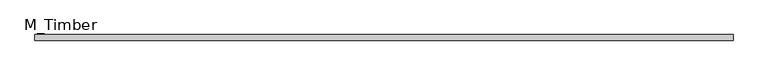
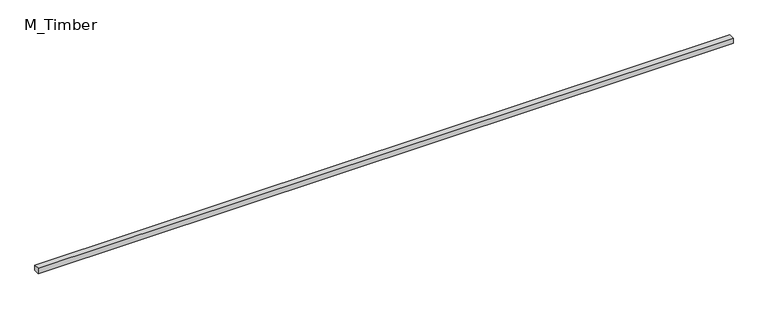
"""IFC4 building model written with IfcOpenShell, lengths in millimetres: beam geometry, M_Timber."""

from ifc_helpers import new_model, si_unit, frame, origin, place, context, project, spatial, polyline, outline, extrude, source, transform, mapped, element, save


def m_timber_f46e09ef(model_context):
    return source(origin(), model_context, "Body", "SweptSolid", [
        extrude(outline(polyline([(2463.3080863, 20.0), (2463.3080863, -20.0), (-2463.3080863, -20.0), (-2463.3080863, 20.0), (2463.3080863, 20.0)])), frame((0.0, 0.0, -20.0), z_axis=(0.0, 0.0, 1.0), x_axis=(1.0, 0.0, 0.0)), (0.0, 0.0, 1.0), 40.0),
    ])


if __name__ == "__main__":
    model = new_model("IFC4")
    model_context = context("Model", 3, world=origin())
    ifc_project = project(units=[si_unit("LENGTHUNIT", "METRE", prefix="MILLI")], contexts=[model_context])
    site = spatial("IfcSite", under=ifc_project)
    building = spatial("IfcBuilding", under=site)
    placement = place(None, origin())
    m_timber_shape = m_timber_f46e09ef(model_context)
    element("IfcBeam", 1, ObjectType="M_Timber", at=placement, inside=building, context=model_context, shape_type="MappedRepresentation", body=[
        mapped(m_timber_shape, transform((0.0, 0.0, 0.0), x_axis=(1.0, 0.0, 0.0), y_axis=(0.0, 1.0, 0.0), z_axis=(0.0, 0.0, 1.0))),
    ])
    save(model, "model.ifc")
